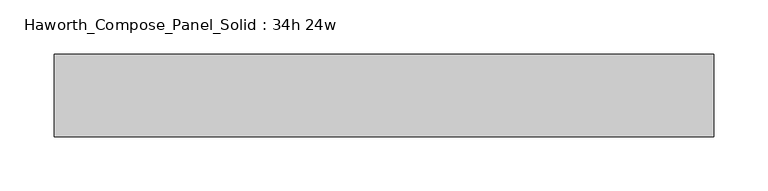
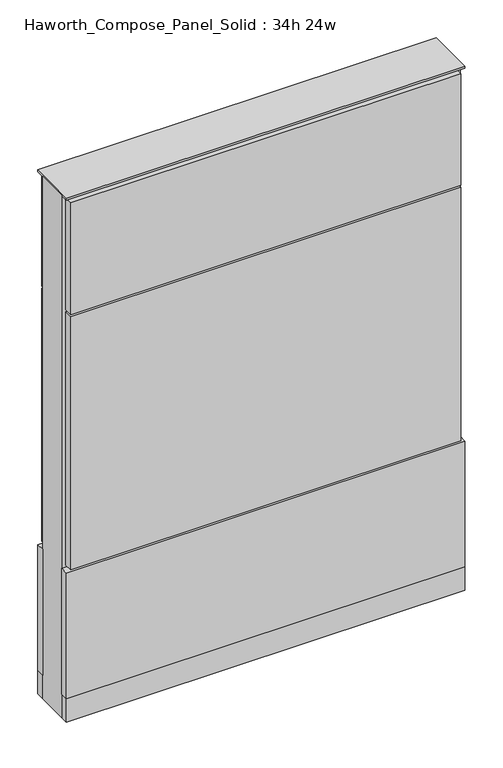
"""IFC4 building model written with IfcOpenShell, lengths in millimetres: furniture geometry, Haworth_Compose_Panel_Solid : 34h 24w."""

import ifcopenshell
import ifcopenshell.guid

model = None  # the IFC model being written
_history = None  # IfcOwnerHistory: only IFC2X3 demands one
_inside = {}  # id of a spatial element -> (the spatial element, [elements in it])
_under = {}  # id of a project, library or spatial element -> (it, [spatial elements below it])
_declared = {}  # id of a project -> (the project, [libraries it declares])
_typed = {}  # id of a type object -> (the type object, [elements of that type])
_made_of = {}  # id of a material, layer set ... -> (it, [elements and type objects made of it])


def new_model(schema):
    """Start an empty IFC model of exactly this schema.

    Asked for "IFC4X3", IfcOpenShell would pick the latest addendum, in which some entities
    have other attributes; the version numbers below select the first issue.
    IFC2X3 requires an IfcOwnerHistory on every rooted entity: one is made here for all.
    """
    global model, _history
    if schema == "IFC4X3":
        model = ifcopenshell.file(schema_version=(4, 3, 0, 0))
    else:
        model = ifcopenshell.file(schema=schema)
    _inside.clear()
    _under.clear()
    _declared.clear()
    _typed.clear()
    _made_of.clear()
    _history = None
    if model.schema == "IFC2X3":
        org = make("IfcOrganization", Name="unknown")
        user = make(
            "IfcPersonAndOrganization",
            ThePerson=make("IfcPerson", FamilyName="unknown"),
            TheOrganization=org,
        )
        app = make(
            "IfcApplication",
            ApplicationDeveloper=org,
            Version="unknown",
            ApplicationFullName="unknown",
            ApplicationIdentifier="unknown",
        )
        _history = make(
            "IfcOwnerHistory",
            OwningUser=user,
            OwningApplication=app,
            ChangeAction="ADDED",
            CreationDate=0,
        )
    return model


def make(cls, **values):
    """One entity of the class cls with the attributes given. An attribute that is None is left unset."""
    return model.create_entity(
        cls, **{name: value for name, value in values.items() if value is not None}
    )


def rooted(cls, **values):
    """An entity with a GlobalId (a new one), such as an element, a storey or a relation."""
    return make(cls, GlobalId=ifcopenshell.guid.new(), OwnerHistory=_history, **values)


def si_unit(unit_type, name, prefix=None):
    """IfcSIUnit, for example si_unit("LENGTHUNIT", "METRE", prefix="MILLI")."""
    return make("IfcSIUnit", UnitType=unit_type, Prefix=prefix, Name=name)


def assignment(units):
    """IfcUnitAssignment: the units of a project."""
    return None if units is None else make("IfcUnitAssignment", Units=units)


def point(xyz):
    """IfcCartesianPoint."""
    return None if xyz is None else make("IfcCartesianPoint", Coordinates=xyz)


def direction(xyz):
    """IfcDirection."""
    return None if xyz is None else make("IfcDirection", DirectionRatios=xyz)


def frame(location, z_axis=None, x_axis=None):
    """IfcAxis2Placement3D, a coordinate frame: its origin and axes. An axis left out is left unset."""
    return make(
        "IfcAxis2Placement3D",
        Location=point(location),
        Axis=direction(z_axis),
        RefDirection=direction(x_axis),
    )


def frame_2d(location, x_axis=None):
    """IfcAxis2Placement2D, a coordinate frame in the plane: its origin and x axis."""
    return make(
        "IfcAxis2Placement2D", Location=point(location), RefDirection=direction(x_axis)
    )


def origin():
    """The frame at (0, 0, 0) with its axes left unset."""
    return frame((0.0, 0.0, 0.0))


def origin_with_axes():
    """The frame at (0, 0, 0) with the z axis (0, 0, 1) and the x axis (1, 0, 0) written out."""
    return frame((0.0, 0.0, 0.0), z_axis=(0.0, 0.0, 1.0), x_axis=(1.0, 0.0, 0.0))


def place(relative_to, where):
    """IfcLocalPlacement: puts the frame where relative to a parent placement (None: the world)."""
    return make(
        "IfcLocalPlacement", PlacementRelTo=relative_to, RelativePlacement=where
    )


def context(
    kind, dimensions, precision=None, world=None, true_north=None, identifier=None
):
    """IfcGeometricRepresentationContext, for example the 3D "Model" context."""
    return make(
        "IfcGeometricRepresentationContext",
        ContextIdentifier=identifier,
        ContextType=kind,
        CoordinateSpaceDimension=dimensions,
        Precision=precision,
        WorldCoordinateSystem=world,
        TrueNorth=true_north,
    )


def project(units=None, contexts=None):
    """IfcProject with its units and contexts."""
    return rooted(
        "IfcProject",
        Name="project",
        RepresentationContexts=contexts,
        UnitsInContext=assignment(units),
    )


def spatial(cls, under=None, at=None, **own):
    """A site, building, storey or space (cls), placed at a placement, below another one or the project."""
    s = rooted(cls, ObjectPlacement=at, **own)
    if under is not None:
        _under.setdefault(under.id(), (under, []))[1].append(s)
    return s


def polyline(points):
    """IfcPolyline through the points."""
    return make("IfcPolyline", Points=[point(p) for p in points])


def circle_curve(where, radius):
    """IfcCircle in the frame where."""
    return make("IfcCircle", Position=where, Radius=radius)


def trimmed(basis, trim1, trim2, sense, master):
    """IfcTrimmedCurve: the piece of a basis curve between two trims."""
    return make(
        "IfcTrimmedCurve",
        BasisCurve=basis,
        Trim1=trim1,
        Trim2=trim2,
        SenseAgreement=sense,
        MasterRepresentation=master,
    )


def segment(curve, same_sense, transition):
    """IfcCompositeCurveSegment."""
    return make(
        "IfcCompositeCurveSegment",
        Transition=transition,
        SameSense=same_sense,
        ParentCurve=curve,
    )


def composite_curve(segments, self_intersect=None):
    """IfcCompositeCurve: segments joined end to end."""
    return make("IfcCompositeCurve", Segments=segments, SelfIntersect=self_intersect)


def outline(outer, holes=None, kind="AREA"):
    """IfcArbitraryClosedProfileDef: a profile drawn as a closed curve; with holes, ...WithVoids."""
    if holes is None:
        return make("IfcArbitraryClosedProfileDef", ProfileType=kind, OuterCurve=outer)
    return make(
        "IfcArbitraryProfileDefWithVoids",
        ProfileType=kind,
        OuterCurve=outer,
        InnerCurves=holes,
    )


def extrude(swept, where, along, depth):
    """IfcExtrudedAreaSolid: the profile swept, set in the frame where, extruded along a direction by depth."""
    return make(
        "IfcExtrudedAreaSolid",
        SweptArea=swept,
        Position=where,
        ExtrudedDirection=direction(along),
        Depth=depth,
    )


def shape(context_of_items, identifier, shape_type, items):
    """IfcShapeRepresentation: the items that make up one representation, for example the "Body"."""
    return make(
        "IfcShapeRepresentation",
        ContextOfItems=context_of_items,
        RepresentationIdentifier=identifier,
        RepresentationType=shape_type,
        Items=items,
    )


def source(mapping_origin, context_of_items, identifier, shape_type, items):
    """IfcRepresentationMap: a shape defined once, which mapped items show again and again."""
    return make(
        "IfcRepresentationMap",
        MappingOrigin=mapping_origin,
        MappedRepresentation=shape(context_of_items, identifier, shape_type, items),
    )


def transform(
    local_origin,
    x_axis=None,
    y_axis=None,
    z_axis=None,
    scale=None,
    scale2=None,
    scale3=None,
    uniform=True,
):
    """IfcCartesianTransformationOperator3D, or its non-uniform kind. x_axis, y_axis, z_axis: its Axis1, 2, 3."""
    if uniform:
        return make(
            "IfcCartesianTransformationOperator3D",
            Axis1=direction(x_axis),
            Axis2=direction(y_axis),
            LocalOrigin=point(local_origin),
            Scale=scale,
            Axis3=direction(z_axis),
        )
    return make(
        "IfcCartesianTransformationOperator3DnonUniform",
        Axis1=direction(x_axis),
        Axis2=direction(y_axis),
        LocalOrigin=point(local_origin),
        Scale=scale,
        Axis3=direction(z_axis),
        Scale2=scale2,
        Scale3=scale3,
    )


def mapped(mapping_source, mapping_target):
    """IfcMappedItem: shows the shape of a source again, moved by a transform."""
    return make(
        "IfcMappedItem", MappingSource=mapping_source, MappingTarget=mapping_target
    )


def made_of(thing, what):
    """Note that an element or type object is made of a material, layer set ...; save() writes the relation."""
    if what is not None:
        _made_of.setdefault(what.id(), (what, []))[1].append(thing)
    return thing


def element(
    cls,
    number,
    at=None,
    inside=None,
    cuts=None,
    type_object=None,
    material=None,
    context=None,
    identifier="Body",
    shape_type=None,
    held_by="IfcProductDefinitionShape",
    body=None,
    shapes=None,
    **own,
):
    """One element of the class cls, such as IfcWall. Its Tag is "e" and its number.

    at: its placement. inside: the storey or other place that contains it. cuts: it is an
    opening in that element (IfcRelVoidsElement). A single representation is given by context,
    identifier, shape_type and body (its items); several are given by shapes. held_by: the class
    of the entity that holds the representations. save() writes the other relations.
    """
    e = rooted(cls, Tag="e%d" % number, ObjectPlacement=at, **own)
    if body is not None:
        shapes = [shape(context, identifier, shape_type, body)]
    if shapes is not None:
        e.Representation = make(held_by, Representations=shapes)
    if inside is not None:
        _inside.setdefault(inside.id(), (inside, []))[1].append(e)
    if cuts is not None:
        rooted(
            "IfcRelVoidsElement", RelatingBuildingElement=cuts, RelatedOpeningElement=e
        )
    if type_object is not None:
        _typed.setdefault(type_object.id(), (type_object, []))[1].append(e)
    return made_of(e, material)


def aggregate(whole, parts):
    """IfcRelAggregates: a whole, such as a stair, and the parts it consists of."""
    return rooted("IfcRelAggregates", RelatingObject=whole, RelatedObjects=parts)


def save(model, path):
    """Write the relations noted so far, then the file.

    IfcRelAggregates (storeys below a building ...), IfcRelContainedInSpatialStructure (elements
    in a storey), IfcRelDefinesByType, IfcRelAssociatesMaterial and IfcRelDeclares: one each for
    every whole, place, type object, material and project.
    """
    for whole, parts in _under.values():
        aggregate(whole, parts)
    for where, things in _inside.values():
        rooted(
            "IfcRelContainedInSpatialStructure",
            RelatedElements=things,
            RelatingStructure=where,
        )
    for kind, things in _typed.values():
        rooted("IfcRelDefinesByType", RelatedObjects=things, RelatingType=kind)
    for what, things in _made_of.values():
        rooted("IfcRelAssociatesMaterial", RelatedObjects=things, RelatingMaterial=what)
    for by, libraries in _declared.values():
        rooted("IfcRelDeclares", RelatingContext=by, RelatedDefinitions=libraries)
    model.write(path)


def haworth_compose_panel_solid_34h_24w_876cb985(model_context):
    return source(origin(), model_context, "Body", "SweptSolid", [
        extrude(outline(composite_curve([segment(trimmed(circle_curve(frame_2d((-226.1597098, 0.0)), 12.7), [point((-238.8597098, 0.0))], [point((-213.4597098, 0.0))], False, "CARTESIAN"), True, "CONTINUOUS"), segment(trimmed(circle_curve(frame_2d((-226.1597098, 0.0)), 12.7), [point((-213.4597098, 0.0))], [point((-238.8597098, 0.0))], False, "CARTESIAN"), True, "CONTINUOUS")], self_intersect=False)), origin_with_axes(), (0.0, 0.0, 1.0), 12.7),
        extrude(outline(composite_curve([segment(trimmed(circle_curve(frame_2d((231.0402902, 0.0)), 12.7), [point((218.3402902, 0.0))], [point((243.7402902, 0.0))], False, "CARTESIAN"), True, "CONTINUOUS"), segment(trimmed(circle_curve(frame_2d((231.0402902, 0.0)), 12.7), [point((243.7402902, 0.0))], [point((218.3402902, 0.0))], False, "CARTESIAN"), True, "CONTINUOUS")], self_intersect=False)), origin_with_axes(), (0.0, 0.0, 1.0), 12.7),
        extrude(outline(polyline([(300.8902902, 38.1), (300.8902902, 25.4), (-296.0097098, 25.4), (-296.0097098, 38.1), (300.8902902, 38.1)])), frame((0.0, 0.0, 669.925), z_axis=(0.0, 0.0, 1.0), x_axis=(1.0, 0.0, 0.0)), (0.0, 0.0, 1.0), 180.975),
        extrude(outline(polyline([(300.8902902, 38.1), (300.8902902, 25.4), (-296.0097098, 25.4), (-296.0097098, 38.1), (300.8902902, 38.1)])), frame((0.0, 0.0, 257.175), z_axis=(0.0, 0.0, 1.0), x_axis=(1.0, 0.0, 0.0)), (0.0, 0.0, 1.0), 409.575),
        extrude(outline(polyline([(307.2402902, 38.1), (307.2402902, 25.4), (-302.3597098, 25.4), (-302.3597098, 38.1), (307.2402902, 38.1)])), frame((0.0, 0.0, 50.8), z_axis=(0.0, 0.0, 1.0), x_axis=(1.0, 0.0, 0.0)), (0.0, 0.0, 1.0), 203.2),
        extrude(outline(polyline([(307.2402902, -38.1), (-302.3597098, -38.1), (-302.3597098, -25.4), (307.2402902, -25.4), (307.2402902, -38.1)])), frame((0.0, 0.0, 50.8), z_axis=(0.0, 0.0, 1.0), x_axis=(1.0, 0.0, 0.0)), (0.0, 0.0, 1.0), 203.2),
        extrude(outline(polyline([(300.8902902, -38.1), (-296.0097098, -38.1), (-296.0097098, -25.4), (300.8902902, -25.4), (300.8902902, -38.1)])), frame((0.0, 0.0, 669.925), z_axis=(0.0, 0.0, 1.0), x_axis=(1.0, 0.0, 0.0)), (0.0, 0.0, 1.0), 180.975),
        extrude(outline(polyline([(300.8902902, -38.1), (-296.0097098, -38.1), (-296.0097098, -25.4), (300.8902902, -25.4), (300.8902902, -38.1)])), frame((0.0, 0.0, 257.175), z_axis=(0.0, 0.0, 1.0), x_axis=(1.0, 0.0, 0.0)), (0.0, 0.0, 1.0), 409.575),
        extrude(outline(polyline([(307.2402902, 25.4), (307.2402902, -25.4), (-302.3597098, -25.4), (-302.3597098, 25.4), (307.2402902, 25.4)])), frame((0.0, 0.0, 12.7), z_axis=(0.0, 0.0, 1.0), x_axis=(1.0, 0.0, 0.0)), (0.0, 0.0, 1.0), 844.55),
        extrude(outline(polyline([(-302.3597098, -38.1), (-302.3597098, 38.1), (307.2402902, 38.1), (307.2402902, -38.1), (-302.3597098, -38.1)])), frame((0.0, 0.0, 12.7), z_axis=(0.0, 0.0, 1.0), x_axis=(1.0, 0.0, 0.0)), (0.0, 0.0, 1.0), 38.1),
        extrude(outline(polyline([(-302.3597098, -38.1), (-302.3597098, 38.1), (307.2402902, 38.1), (307.2402902, -38.1), (-302.3597098, -38.1)])), frame((0.0, 0.0, 857.25), z_axis=(0.0, 0.0, 1.0), x_axis=(1.0, 0.0, 0.0)), (0.0, 0.0, 1.0), 3.175),
    ])


if __name__ == "__main__":
    model = new_model("IFC4")
    model_context = context("Model", 3, world=origin())
    ifc_project = project(units=[si_unit("LENGTHUNIT", "METRE", prefix="MILLI")], contexts=[model_context])
    site = spatial("IfcSite", under=ifc_project)
    building = spatial("IfcBuilding", under=site)
    placement = place(None, origin())
    haworth_compose_panel_solid_34h_24w_shape = haworth_compose_panel_solid_34h_24w_876cb985(model_context)
    element("IfcFurniture", 1, ObjectType="Haworth_Compose_Panel_Solid : 34h 24w", at=placement, inside=building, context=model_context, shape_type="MappedRepresentation", body=[
        mapped(haworth_compose_panel_solid_34h_24w_shape, transform((0.0, 0.0, 0.0), x_axis=(1.0, 0.0, 0.0), y_axis=(0.0, 1.0, 0.0), z_axis=(0.0, 0.0, 1.0))),
    ])
    save(model, "model.ifc")
